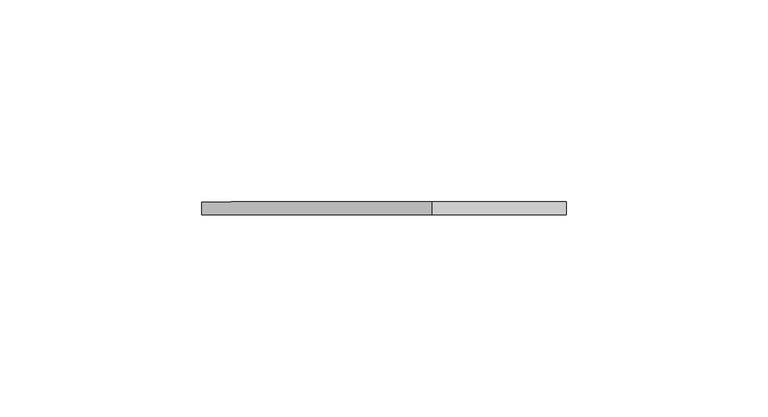
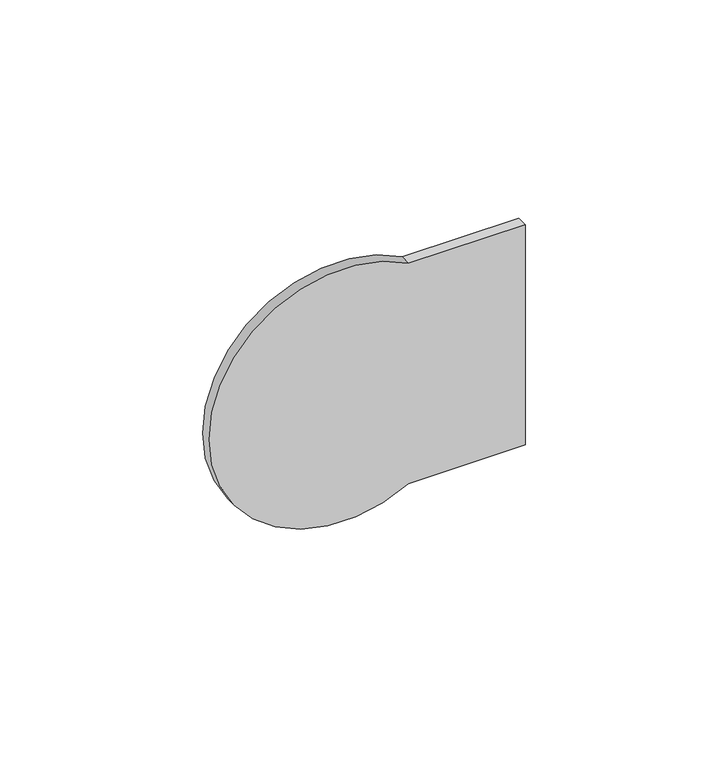
"""IFC4 building model written with IfcOpenShell, lengths in millimetres: proxy geometry."""

from ifc_helpers import new_model, si_unit, point, frame, frame_2d, origin, place, context, project, spatial, polyline, circle_curve, trimmed, segment, composite_curve, outline, extrude, source, transform, mapped, element, save


def specialty_equipment_fe47f8b8(model_context):
    return source(origin(), model_context, "Body", "SweptSolid", [
        extrude(outline(composite_curve([segment(polyline([(723.9, 0.0), (723.9, -33.2698082)]), True, "CONTINUOUS"), segment(trimmed(circle_curve(frame_2d((690.7111546, -52.0020162)), 38.1103014), [point((723.9, -33.2698082))], [point((657.5223092, -33.2698082))], False, "CARTESIAN"), True, "CONTINUOUS"), segment(polyline([(657.5223092, -33.2698082), (657.5223092, 0.0), (723.9, 0.0)]), True, "CONTINUOUS")], self_intersect=False)), frame((0.0, 0.0, 0.0), z_axis=(0.0, 1.0, 0.0), x_axis=(0.0, 0.0, 1.0)), (0.0, 0.0, 1.0), 3.175),
    ])


if __name__ == "__main__":
    model = new_model("IFC4")
    model_context = context("Model", 3, world=origin())
    ifc_project = project(units=[si_unit("LENGTHUNIT", "METRE", prefix="MILLI")], contexts=[model_context])
    site = spatial("IfcSite", under=ifc_project)
    building = spatial("IfcBuilding", under=site)
    placement = place(None, origin())
    specialty_equipment_shape = specialty_equipment_fe47f8b8(model_context)
    element("IfcBuildingElementProxy", 1, Name="Specialty Equipment", at=placement, inside=building, context=model_context, shape_type="MappedRepresentation", body=[
        mapped(specialty_equipment_shape, transform((0.0, 0.0, 0.0), x_axis=(1.0, 0.0, 0.0), y_axis=(0.0, 1.0, 0.0), z_axis=(0.0, 0.0, 1.0))),
    ])
    save(model, "model.ifc")
